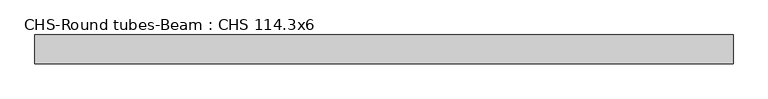
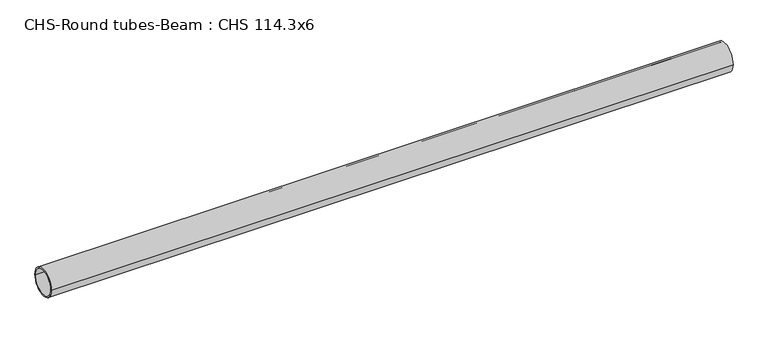
"""IFC4 building model written with IfcOpenShell, lengths in millimetres: beam geometry, CHS-Round tubes-Beam : CHS 114.3x6."""

from ifc_helpers import new_model, si_unit, point, frame, origin, origin_2d, place, context, project, spatial, circle_curve, trimmed, segment, composite_curve, outline, extrude, source, transform, mapped, element, save


def chs_round_tubes_beam_chs_114_3x6_c96a1bca(model_context):
    return source(origin(), model_context, "Body", "SweptSolid", [
        extrude(outline(composite_curve([segment(trimmed(circle_curve(origin_2d(), 57.15), [point((57.15, 0.0))], [point((-57.15, 0.0))], False, "CARTESIAN"), True, "CONTINUOUS"), segment(trimmed(circle_curve(origin_2d(), 57.15), [point((-57.15, 0.0))], [point((57.15, 0.0))], False, "CARTESIAN"), True, "CONTINUOUS")], self_intersect=False), holes=[composite_curve([segment(trimmed(circle_curve(origin_2d(), 51.15), [point((51.15, 0.0))], [point((-51.15, 0.0))], True, "CARTESIAN"), True, "CONTINUOUS"), segment(trimmed(circle_curve(origin_2d(), 51.15), [point((-51.15, 0.0))], [point((51.15, 0.0))], True, "CARTESIAN"), True, "CONTINUOUS")], self_intersect=False)]), frame((-1315.0113625, 0.0, 0.0), z_axis=(1.0, 0.0, 0.0), x_axis=(0.0, 1.0, 0.0)), (0.0, 0.0, 1.0), 2754.5253141),
    ])


if __name__ == "__main__":
    model = new_model("IFC4")
    model_context = context("Model", 3, world=origin())
    ifc_project = project(units=[si_unit("LENGTHUNIT", "METRE", prefix="MILLI")], contexts=[model_context])
    site = spatial("IfcSite", under=ifc_project)
    building = spatial("IfcBuilding", under=site)
    placement = place(None, origin())
    chs_round_tubes_beam_chs_114_3x6_shape = chs_round_tubes_beam_chs_114_3x6_c96a1bca(model_context)
    element("IfcBeam", 1, ObjectType="CHS-Round tubes-Beam : CHS 114.3x6", at=placement, inside=building, context=model_context, shape_type="MappedRepresentation", body=[
        mapped(chs_round_tubes_beam_chs_114_3x6_shape, transform((0.0, 0.0, 0.0), x_axis=(1.0, 0.0, 0.0), y_axis=(0.0, 1.0, 0.0), z_axis=(0.0, 0.0, 1.0))),
    ])
    save(model, "model.ifc")
